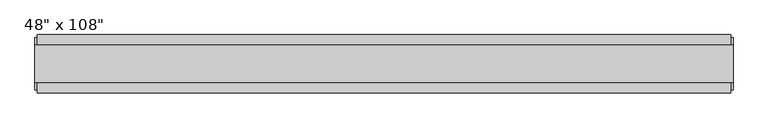
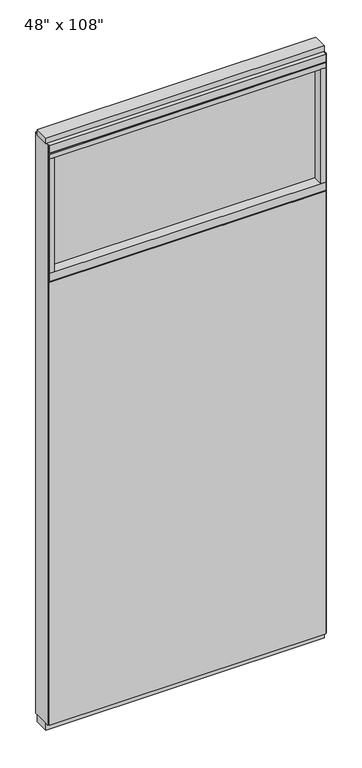
"""IFC4 building model written with IfcOpenShell, lengths in millimetres: furniture geometry."""

from ifc_helpers import new_model, si_unit, frame, origin, origin_with_axes, place, context, project, spatial, polyline, outline, extrude, source, transform, mapped, element, save


def furniture_e7b51365(model_context):
    return source(origin(), model_context, "Body", "SweptSolid", [
        extrude(outline(polyline([(545.6264771, 46.2822784), (545.6264771, 33.5822784), (-665.6995229, 33.5822784), (-665.6995229, 46.2822784), (545.6264771, 46.2822784)])), frame((0.0, 0.0, 31.75), z_axis=(0.0, 0.0, 1.0), x_axis=(1.0, 0.0, 0.0)), (0.0, 0.0, 1.0), 2051.05),
        extrude(outline(polyline([(545.6264771, -55.3177216), (-665.6995229, -55.3177216), (-665.6995229, -42.6177216), (545.6264771, -42.6177216), (545.6264771, -55.3177216)])), frame((0.0, 0.0, 31.75), z_axis=(0.0, 0.0, 1.0), x_axis=(1.0, 0.0, 0.0)), (0.0, 0.0, 1.0), 2051.05),
        extrude(outline(polyline([(523.4014771, -9.5977216), (-643.4745229, -9.5977216), (-643.4745229, 0.5622784), (523.4014771, 0.5622784), (523.4014771, -9.5977216)])), frame((0.0, 0.0, 2124.075), z_axis=(0.0, 0.0, 1.0), x_axis=(1.0, 0.0, 0.0)), (0.0, 0.0, 1.0), 530.225),
        extrude(outline(polyline([(523.4014771, -55.3177216), (523.4014771, 46.2822784), (545.6264771, 46.2822784), (545.6264771, -55.3177216), (523.4014771, -55.3177216)])), frame((0.0, 0.0, 2124.075), z_axis=(0.0, 0.0, 1.0), x_axis=(1.0, 0.0, 0.0)), (0.0, 0.0, 1.0), 530.225),
        extrude(outline(polyline([(-55.3177216, 2087.753), (-55.3177216, 2124.075), (46.2822784, 2124.075), (46.2822784, 2087.753), (41.3292784, 2087.753), (41.3292784, 2082.8), (-50.3647216, 2082.8), (-50.3647216, 2087.753), (-55.3177216, 2087.753)])), frame((-665.6995229, 0.0, 0.0), z_axis=(1.0, 0.0, 0.0), x_axis=(0.0, 1.0, 0.0)), (0.0, 0.0, 1.0), 1211.326),
        extrude(outline(polyline([(-643.4745229, -55.3177216), (-665.6995229, -55.3177216), (-665.6995229, 46.2822784), (-643.4745229, 46.2822784), (-643.4745229, -55.3177216)])), frame((0.0, 0.0, 2124.075), z_axis=(0.0, 0.0, 1.0), x_axis=(1.0, 0.0, 0.0)), (0.0, 0.0, 1.0), 530.225),
        extrude(outline(polyline([(549.5634771, 27.9942784), (549.5634771, -37.0297216), (-669.6365229, -37.0297216), (-669.6365229, 27.9942784), (549.5634771, 27.9942784)])), origin_with_axes(), (0.0, 0.0, 1.0), 31.75),
        extrude(outline(polyline([(-669.6365229, -37.0297216), (-669.6365229, 27.9942784), (549.5634771, 27.9942784), (549.5634771, -37.0297216), (-669.6365229, -37.0297216)])), frame((0.0, 0.0, 2717.8), z_axis=(0.0, 0.0, 1.0), x_axis=(1.0, 0.0, 0.0)), (0.0, 0.0, 1.0), 25.4),
        extrude(outline(polyline([(-55.3177216, 2681.478), (-55.3177216, 2717.8), (46.2822784, 2717.8), (46.2822784, 2681.478), (41.3292784, 2681.478), (41.3292784, 2676.525), (-50.3647216, 2676.525), (-50.3647216, 2681.478), (-55.3177216, 2681.478)])), frame((-665.6995229, 0.0, 0.0), z_axis=(1.0, 0.0, 0.0), x_axis=(0.0, 1.0, 0.0)), (0.0, 0.0, 1.0), 1211.326),
        extrude(outline(polyline([(545.6264771, 46.2822784), (545.6264771, -55.3177216), (-665.6995229, -55.3177216), (-665.6995229, 46.2822784), (545.6264771, 46.2822784)])), frame((0.0, 0.0, 2654.3), z_axis=(0.0, 0.0, 1.0), x_axis=(1.0, 0.0, 0.0)), (0.0, 0.0, 1.0), 22.225),
        extrude(outline(polyline([(549.5634771, -50.3647216), (545.6264771, -50.3647216), (545.6264771, 41.3292784), (549.5634771, 41.3292784), (549.5634771, -50.3647216)])), frame((0.0, 0.0, 31.75), z_axis=(0.0, 0.0, 1.0), x_axis=(1.0, 0.0, 0.0)), (0.0, 0.0, 1.0), 2686.05),
        extrude(outline(polyline([(-669.6365229, -50.3647216), (-669.6365229, 41.3292784), (-665.6995229, 41.3292784), (-665.6995229, -50.3647216), (-669.6365229, -50.3647216)])), frame((0.0, 0.0, 31.75), z_axis=(0.0, 0.0, 1.0), x_axis=(1.0, 0.0, 0.0)), (0.0, 0.0, 1.0), 2686.05),
    ])


if __name__ == "__main__":
    model = new_model("IFC4")
    model_context = context("Model", 3, world=origin())
    ifc_project = project(units=[si_unit("LENGTHUNIT", "METRE", prefix="MILLI")], contexts=[model_context])
    site = spatial("IfcSite", under=ifc_project)
    building = spatial("IfcBuilding", under=site)
    placement = place(None, origin())
    furniture_shape = furniture_e7b51365(model_context)
    element("IfcFurniture", 1, ObjectType="48\" x 108\"", at=placement, inside=building, context=model_context, shape_type="MappedRepresentation", body=[
        mapped(furniture_shape, transform((0.0, 0.0, 0.0), x_axis=(1.0, 0.0, 0.0), y_axis=(0.0, 1.0, 0.0), z_axis=(0.0, 0.0, 1.0))),
    ])
    save(model, "model.ifc")
